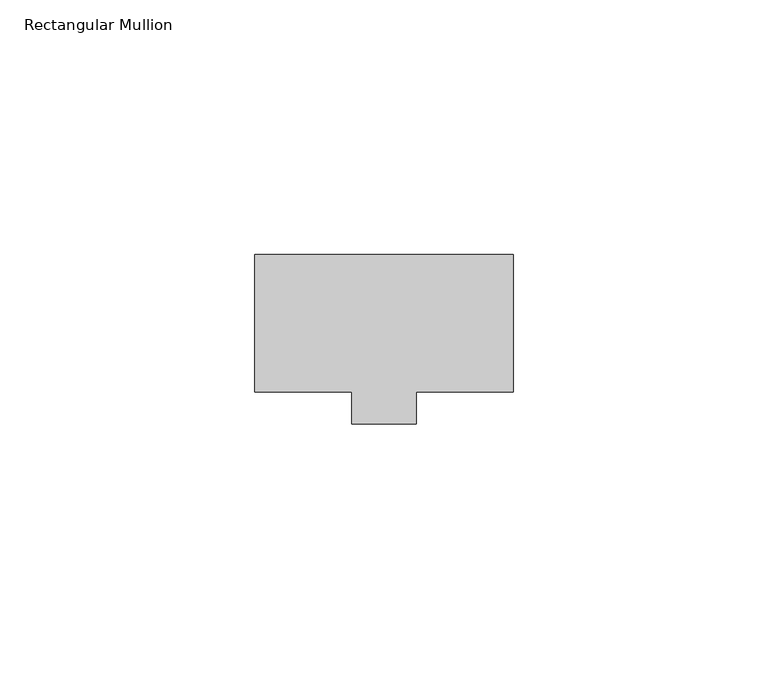
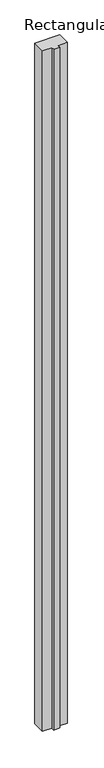
"""IFC4 building model written with IfcOpenShell, lengths in millimetres: member geometry, Rectangular Mullion."""

from ifc_helpers import new_model, si_unit, frame, origin, place, context, project, spatial, polyline, outline, extrude, source, transform, mapped, element, save


def rectangular_mullion_4031062f(model_context):
    return source(origin(), model_context, "Body", "SweptSolid", [
        extrude(outline(polyline([(29.7344027, 30.1625), (29.7344027, 3.175), (10.6826322, 3.175), (10.6826322, -3.175), (-2.0155973, -3.175), (-2.0155973, 3.175), (-21.0655973, 3.175), (-21.0655973, 30.1625), (29.7344027, 30.1625)])), frame((0.0, 0.0, -1478.28), z_axis=(0.0, 0.0, 1.0), x_axis=(1.0, 0.0, 0.0)), (0.0, 0.0, 1.0), 1478.28),
    ])


if __name__ == "__main__":
    model = new_model("IFC4")
    model_context = context("Model", 3, world=origin())
    ifc_project = project(units=[si_unit("LENGTHUNIT", "METRE", prefix="MILLI")], contexts=[model_context])
    site = spatial("IfcSite", under=ifc_project)
    building = spatial("IfcBuilding", under=site)
    placement = place(None, origin())
    rectangular_mullion_shape = rectangular_mullion_4031062f(model_context)
    element("IfcMember", 1, ObjectType="Rectangular Mullion", at=placement, inside=building, context=model_context, shape_type="MappedRepresentation", body=[
        mapped(rectangular_mullion_shape, transform((0.0, 0.0, 0.0), x_axis=(1.0, 0.0, 0.0), y_axis=(0.0, 1.0, 0.0), z_axis=(0.0, 0.0, 1.0))),
    ])
    save(model, "model.ifc")
